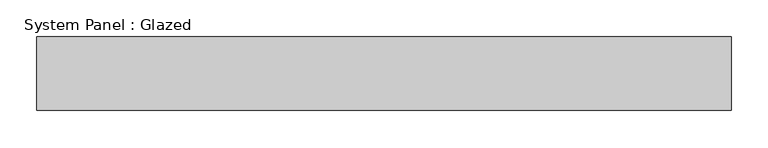
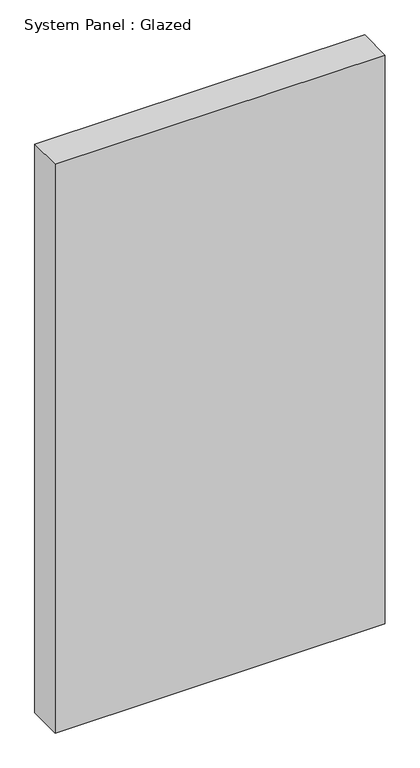
"""IFC4 building model written with IfcOpenShell, lengths in millimetres: plate geometry, System Panel : Glazed."""

from ifc_helpers import new_model, si_unit, origin, origin_with_axes, place, context, project, spatial, polyline, outline, extrude, source, transform, mapped, element, save


def system_panel_glazed_2e1aae2e(model_context):
    return source(origin(), model_context, "Body", "SweptSolid", [
        extrude(outline(polyline([(471.4440397, 50.0), (-471.4440397, 50.0), (-471.4440397, 150.0), (471.4440397, 150.0), (471.4440397, 50.0)])), origin_with_axes(), (0.0, 0.0, 1.0), 1716.1089137),
    ])


if __name__ == "__main__":
    model = new_model("IFC4")
    model_context = context("Model", 3, world=origin())
    ifc_project = project(units=[si_unit("LENGTHUNIT", "METRE", prefix="MILLI")], contexts=[model_context])
    site = spatial("IfcSite", under=ifc_project)
    building = spatial("IfcBuilding", under=site)
    placement = place(None, origin())
    system_panel_glazed_shape = system_panel_glazed_2e1aae2e(model_context)
    element("IfcPlate", 1, ObjectType="System Panel : Glazed", at=placement, inside=building, context=model_context, shape_type="MappedRepresentation", body=[
        mapped(system_panel_glazed_shape, transform((0.0, 0.0, 0.0), x_axis=(1.0, 0.0, 0.0), y_axis=(0.0, 1.0, 0.0), z_axis=(0.0, 0.0, 1.0))),
    ])
    save(model, "model.ifc")
